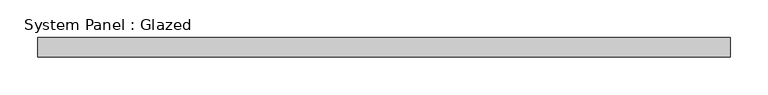
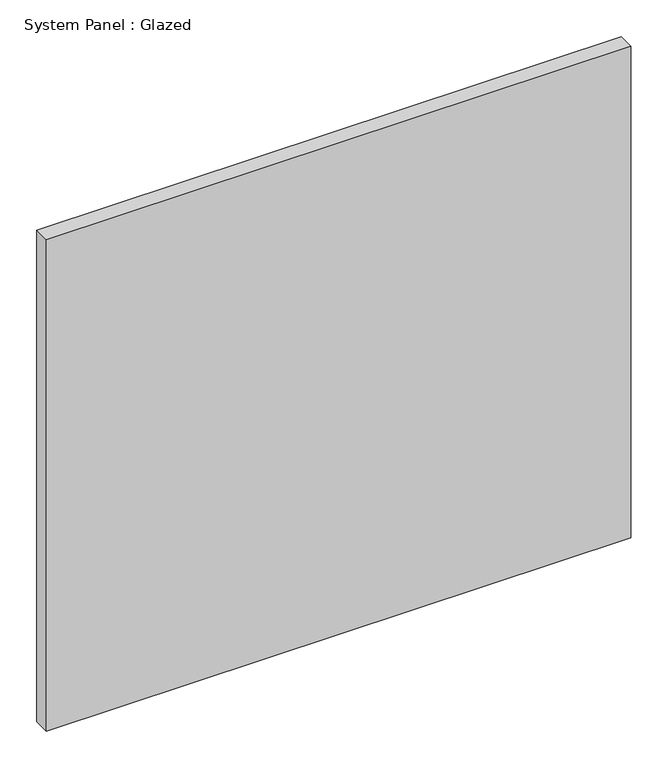
"""IFC4 building model written with IfcOpenShell, lengths in millimetres: plate geometry, System Panel : Glazed."""

from ifc_helpers import new_model, si_unit, origin, origin_with_axes, place, context, project, spatial, polyline, outline, extrude, source, transform, mapped, element, save


def system_panel_glazed_67d60841(model_context):
    return source(origin(), model_context, "Body", "SweptSolid", [
        extrude(outline(polyline([(457.2, -12.7), (-457.2, -12.7), (-457.2, 12.7), (457.2, 12.7), (457.2, -12.7)])), origin_with_axes(), (0.0, 0.0, 1.0), 812.8),
    ])


if __name__ == "__main__":
    model = new_model("IFC4")
    model_context = context("Model", 3, world=origin())
    ifc_project = project(units=[si_unit("LENGTHUNIT", "METRE", prefix="MILLI")], contexts=[model_context])
    site = spatial("IfcSite", under=ifc_project)
    building = spatial("IfcBuilding", under=site)
    placement = place(None, origin())
    system_panel_glazed_shape = system_panel_glazed_67d60841(model_context)
    element("IfcPlate", 1, ObjectType="System Panel : Glazed", at=placement, inside=building, context=model_context, shape_type="MappedRepresentation", body=[
        mapped(system_panel_glazed_shape, transform((0.0, 0.0, 0.0), x_axis=(1.0, 0.0, 0.0), y_axis=(0.0, 1.0, 0.0), z_axis=(0.0, 0.0, 1.0))),
    ])
    save(model, "model.ifc")
